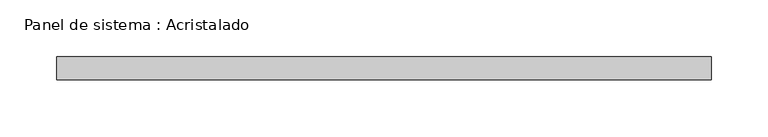
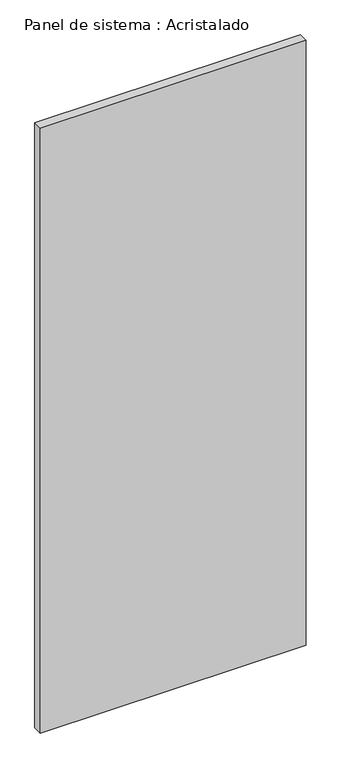
"""IFC4 building model written with IfcOpenShell, lengths in millimetres: plate geometry, Panel de sistema : Acristalado."""

from ifc_helpers import new_model, si_unit, origin, origin_with_axes, place, context, project, spatial, polyline, outline, extrude, source, transform, mapped, element, save


def panel_de_sistema_acristalado_3885e8e4(model_context):
    return source(origin(), model_context, "Body", "SweptSolid", [
        extrude(outline(polyline([(287.5, -10.0), (-287.5, -10.0), (-287.5, 10.0), (287.5, 10.0), (287.5, -10.0)])), origin_with_axes(), (0.0, 0.0, 1.0), 1382.4904288),
    ])


if __name__ == "__main__":
    model = new_model("IFC4")
    model_context = context("Model", 3, world=origin())
    ifc_project = project(units=[si_unit("LENGTHUNIT", "METRE", prefix="MILLI")], contexts=[model_context])
    site = spatial("IfcSite", under=ifc_project)
    building = spatial("IfcBuilding", under=site)
    placement = place(None, origin())
    panel_de_sistema_acristalado_shape = panel_de_sistema_acristalado_3885e8e4(model_context)
    element("IfcPlate", 1, ObjectType="Panel de sistema : Acristalado", at=placement, inside=building, context=model_context, shape_type="MappedRepresentation", body=[
        mapped(panel_de_sistema_acristalado_shape, transform((0.0, 0.0, 0.0), x_axis=(1.0, 0.0, 0.0), y_axis=(0.0, 1.0, 0.0), z_axis=(0.0, 0.0, 1.0))),
    ])
    save(model, "model.ifc")
